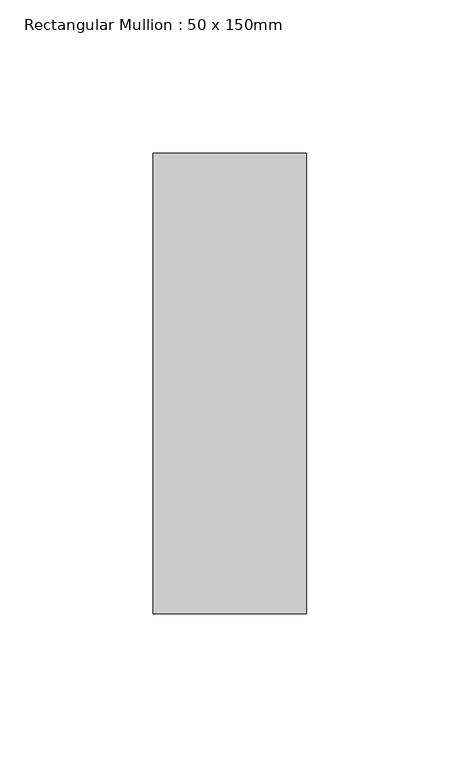
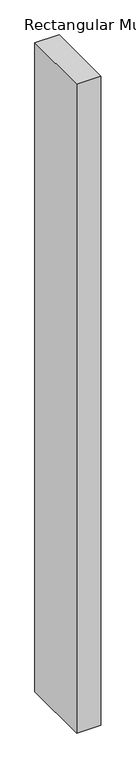
"""IFC4 building model written with IfcOpenShell, lengths in millimetres: member geometry, Rectangular Mullion : 50 x 150mm."""

import ifcopenshell
import ifcopenshell.guid

model = None  # the IFC model being written
_history = None  # IfcOwnerHistory: only IFC2X3 demands one
_inside = {}  # id of a spatial element -> (the spatial element, [elements in it])
_under = {}  # id of a project, library or spatial element -> (it, [spatial elements below it])
_declared = {}  # id of a project -> (the project, [libraries it declares])
_typed = {}  # id of a type object -> (the type object, [elements of that type])
_made_of = {}  # id of a material, layer set ... -> (it, [elements and type objects made of it])


def new_model(schema):
    """Start an empty IFC model of exactly this schema.

    Asked for "IFC4X3", IfcOpenShell would pick the latest addendum, in which some entities
    have other attributes; the version numbers below select the first issue.
    IFC2X3 requires an IfcOwnerHistory on every rooted entity: one is made here for all.
    """
    global model, _history
    if schema == "IFC4X3":
        model = ifcopenshell.file(schema_version=(4, 3, 0, 0))
    else:
        model = ifcopenshell.file(schema=schema)
    _inside.clear()
    _under.clear()
    _declared.clear()
    _typed.clear()
    _made_of.clear()
    _history = None
    if model.schema == "IFC2X3":
        org = make("IfcOrganization", Name="unknown")
        user = make(
            "IfcPersonAndOrganization",
            ThePerson=make("IfcPerson", FamilyName="unknown"),
            TheOrganization=org,
        )
        app = make(
            "IfcApplication",
            ApplicationDeveloper=org,
            Version="unknown",
            ApplicationFullName="unknown",
            ApplicationIdentifier="unknown",
        )
        _history = make(
            "IfcOwnerHistory",
            OwningUser=user,
            OwningApplication=app,
            ChangeAction="ADDED",
            CreationDate=0,
        )
    return model


def make(cls, **values):
    """One entity of the class cls with the attributes given. An attribute that is None is left unset."""
    return model.create_entity(
        cls, **{name: value for name, value in values.items() if value is not None}
    )


def rooted(cls, **values):
    """An entity with a GlobalId (a new one), such as an element, a storey or a relation."""
    return make(cls, GlobalId=ifcopenshell.guid.new(), OwnerHistory=_history, **values)


def si_unit(unit_type, name, prefix=None):
    """IfcSIUnit, for example si_unit("LENGTHUNIT", "METRE", prefix="MILLI")."""
    return make("IfcSIUnit", UnitType=unit_type, Prefix=prefix, Name=name)


def assignment(units):
    """IfcUnitAssignment: the units of a project."""
    return None if units is None else make("IfcUnitAssignment", Units=units)


def point(xyz):
    """IfcCartesianPoint."""
    return None if xyz is None else make("IfcCartesianPoint", Coordinates=xyz)


def direction(xyz):
    """IfcDirection."""
    return None if xyz is None else make("IfcDirection", DirectionRatios=xyz)


def frame(location, z_axis=None, x_axis=None):
    """IfcAxis2Placement3D, a coordinate frame: its origin and axes. An axis left out is left unset."""
    return make(
        "IfcAxis2Placement3D",
        Location=point(location),
        Axis=direction(z_axis),
        RefDirection=direction(x_axis),
    )


def origin():
    """The frame at (0, 0, 0) with its axes left unset."""
    return frame((0.0, 0.0, 0.0))


def place(relative_to, where):
    """IfcLocalPlacement: puts the frame where relative to a parent placement (None: the world)."""
    return make(
        "IfcLocalPlacement", PlacementRelTo=relative_to, RelativePlacement=where
    )


def context(
    kind, dimensions, precision=None, world=None, true_north=None, identifier=None
):
    """IfcGeometricRepresentationContext, for example the 3D "Model" context."""
    return make(
        "IfcGeometricRepresentationContext",
        ContextIdentifier=identifier,
        ContextType=kind,
        CoordinateSpaceDimension=dimensions,
        Precision=precision,
        WorldCoordinateSystem=world,
        TrueNorth=true_north,
    )


def project(units=None, contexts=None):
    """IfcProject with its units and contexts."""
    return rooted(
        "IfcProject",
        Name="project",
        RepresentationContexts=contexts,
        UnitsInContext=assignment(units),
    )


def spatial(cls, under=None, at=None, **own):
    """A site, building, storey or space (cls), placed at a placement, below another one or the project."""
    s = rooted(cls, ObjectPlacement=at, **own)
    if under is not None:
        _under.setdefault(under.id(), (under, []))[1].append(s)
    return s


def polyline(points):
    """IfcPolyline through the points."""
    return make("IfcPolyline", Points=[point(p) for p in points])


def outline(outer, holes=None, kind="AREA"):
    """IfcArbitraryClosedProfileDef: a profile drawn as a closed curve; with holes, ...WithVoids."""
    if holes is None:
        return make("IfcArbitraryClosedProfileDef", ProfileType=kind, OuterCurve=outer)
    return make(
        "IfcArbitraryProfileDefWithVoids",
        ProfileType=kind,
        OuterCurve=outer,
        InnerCurves=holes,
    )


def extrude(swept, where, along, depth):
    """IfcExtrudedAreaSolid: the profile swept, set in the frame where, extruded along a direction by depth."""
    return make(
        "IfcExtrudedAreaSolid",
        SweptArea=swept,
        Position=where,
        ExtrudedDirection=direction(along),
        Depth=depth,
    )


def shape(context_of_items, identifier, shape_type, items):
    """IfcShapeRepresentation: the items that make up one representation, for example the "Body"."""
    return make(
        "IfcShapeRepresentation",
        ContextOfItems=context_of_items,
        RepresentationIdentifier=identifier,
        RepresentationType=shape_type,
        Items=items,
    )


def source(mapping_origin, context_of_items, identifier, shape_type, items):
    """IfcRepresentationMap: a shape defined once, which mapped items show again and again."""
    return make(
        "IfcRepresentationMap",
        MappingOrigin=mapping_origin,
        MappedRepresentation=shape(context_of_items, identifier, shape_type, items),
    )


def transform(
    local_origin,
    x_axis=None,
    y_axis=None,
    z_axis=None,
    scale=None,
    scale2=None,
    scale3=None,
    uniform=True,
):
    """IfcCartesianTransformationOperator3D, or its non-uniform kind. x_axis, y_axis, z_axis: its Axis1, 2, 3."""
    if uniform:
        return make(
            "IfcCartesianTransformationOperator3D",
            Axis1=direction(x_axis),
            Axis2=direction(y_axis),
            LocalOrigin=point(local_origin),
            Scale=scale,
            Axis3=direction(z_axis),
        )
    return make(
        "IfcCartesianTransformationOperator3DnonUniform",
        Axis1=direction(x_axis),
        Axis2=direction(y_axis),
        LocalOrigin=point(local_origin),
        Scale=scale,
        Axis3=direction(z_axis),
        Scale2=scale2,
        Scale3=scale3,
    )


def mapped(mapping_source, mapping_target):
    """IfcMappedItem: shows the shape of a source again, moved by a transform."""
    return make(
        "IfcMappedItem", MappingSource=mapping_source, MappingTarget=mapping_target
    )


def made_of(thing, what):
    """Note that an element or type object is made of a material, layer set ...; save() writes the relation."""
    if what is not None:
        _made_of.setdefault(what.id(), (what, []))[1].append(thing)
    return thing


def element(
    cls,
    number,
    at=None,
    inside=None,
    cuts=None,
    type_object=None,
    material=None,
    context=None,
    identifier="Body",
    shape_type=None,
    held_by="IfcProductDefinitionShape",
    body=None,
    shapes=None,
    **own,
):
    """One element of the class cls, such as IfcWall. Its Tag is "e" and its number.

    at: its placement. inside: the storey or other place that contains it. cuts: it is an
    opening in that element (IfcRelVoidsElement). A single representation is given by context,
    identifier, shape_type and body (its items); several are given by shapes. held_by: the class
    of the entity that holds the representations. save() writes the other relations.
    """
    e = rooted(cls, Tag="e%d" % number, ObjectPlacement=at, **own)
    if body is not None:
        shapes = [shape(context, identifier, shape_type, body)]
    if shapes is not None:
        e.Representation = make(held_by, Representations=shapes)
    if inside is not None:
        _inside.setdefault(inside.id(), (inside, []))[1].append(e)
    if cuts is not None:
        rooted(
            "IfcRelVoidsElement", RelatingBuildingElement=cuts, RelatedOpeningElement=e
        )
    if type_object is not None:
        _typed.setdefault(type_object.id(), (type_object, []))[1].append(e)
    return made_of(e, material)


def aggregate(whole, parts):
    """IfcRelAggregates: a whole, such as a stair, and the parts it consists of."""
    return rooted("IfcRelAggregates", RelatingObject=whole, RelatedObjects=parts)


def save(model, path):
    """Write the relations noted so far, then the file.

    IfcRelAggregates (storeys below a building ...), IfcRelContainedInSpatialStructure (elements
    in a storey), IfcRelDefinesByType, IfcRelAssociatesMaterial and IfcRelDeclares: one each for
    every whole, place, type object, material and project.
    """
    for whole, parts in _under.values():
        aggregate(whole, parts)
    for where, things in _inside.values():
        rooted(
            "IfcRelContainedInSpatialStructure",
            RelatedElements=things,
            RelatingStructure=where,
        )
    for kind, things in _typed.values():
        rooted("IfcRelDefinesByType", RelatedObjects=things, RelatingType=kind)
    for what, things in _made_of.values():
        rooted("IfcRelAssociatesMaterial", RelatedObjects=things, RelatingMaterial=what)
    for by, libraries in _declared.values():
        rooted("IfcRelDeclares", RelatingContext=by, RelatedDefinitions=libraries)
    model.write(path)


def rectangular_mullion_50_x_150mm_18a991f1(model_context):
    return source(origin(), model_context, "Body", "SweptSolid", [
        extrude(outline(polyline([(25.0, 75.0), (25.0, -75.0), (-25.0, -75.0), (-25.0, 75.0), (25.0, 75.0)])), frame((0.0, 0.0, -1418.8936749), z_axis=(0.0, 0.0, 1.0), x_axis=(1.0, 0.0, 0.0)), (0.0, 0.0, 1.0), 1418.8936749),
    ])


if __name__ == "__main__":
    model = new_model("IFC4")
    model_context = context("Model", 3, world=origin())
    ifc_project = project(units=[si_unit("LENGTHUNIT", "METRE", prefix="MILLI")], contexts=[model_context])
    site = spatial("IfcSite", under=ifc_project)
    building = spatial("IfcBuilding", under=site)
    placement = place(None, origin())
    rectangular_mullion_50_x_150mm_shape = rectangular_mullion_50_x_150mm_18a991f1(model_context)
    element("IfcMember", 1, ObjectType="Rectangular Mullion : 50 x 150mm", at=placement, inside=building, context=model_context, shape_type="MappedRepresentation", body=[
        mapped(rectangular_mullion_50_x_150mm_shape, transform((0.0, 0.0, 0.0), x_axis=(1.0, 0.0, 0.0), y_axis=(0.0, 1.0, 0.0), z_axis=(0.0, 0.0, 1.0))),
    ])
    save(model, "model.ifc")
